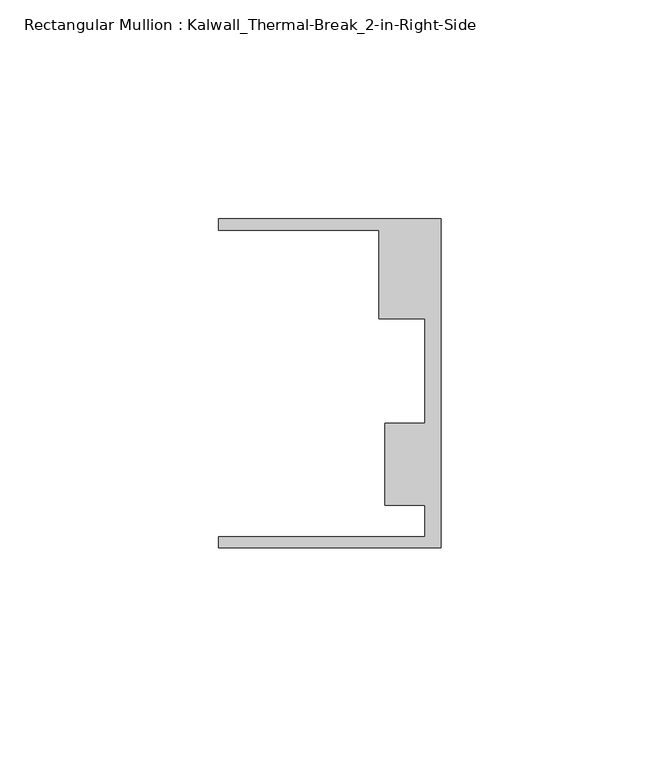
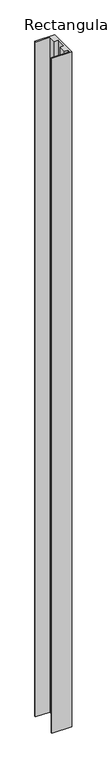
"""IFC4 building model written with IfcOpenShell, lengths in millimetres: member geometry, Rectangular Mullion : Kalwall_Thermal-Break_2-in-Right-Side."""

from ifc_helpers import new_model, si_unit, frame, origin, place, context, project, spatial, polyline, outline, extrude, source, transform, mapped, element, save


def rectangular_mullion_kalwall_thermal_break_2_in_right_side_28d2299b(model_context):
    return source(origin(), model_context, "Body", "SweptSolid", [
        extrude(outline(polyline([(0.0, -37.5776386), (-50.8, -37.5776386), (-50.8, -35.0376386), (-3.7084, -35.0376386), (-3.7084, -27.8888568), (-12.8272539, -27.8888568), (-12.8272539, -9.1879886), (-3.7084, -9.1879886), (-3.7084, 14.7439614), (-14.1732, 14.7439614), (-14.1732, 34.9623614), (-50.8, 34.9623614), (-50.8, 37.5023614), (0.0, 37.5023614), (0.0, -37.5776386)])), frame((0.0, 0.0, -1827.425), z_axis=(0.0, 0.0, 1.0), x_axis=(1.0, 0.0, 0.0)), (0.0, 0.0, 1.0), 1827.425),
    ])


if __name__ == "__main__":
    model = new_model("IFC4")
    model_context = context("Model", 3, world=origin())
    ifc_project = project(units=[si_unit("LENGTHUNIT", "METRE", prefix="MILLI")], contexts=[model_context])
    site = spatial("IfcSite", under=ifc_project)
    building = spatial("IfcBuilding", under=site)
    placement = place(None, origin())
    rectangular_mullion_kalwall_thermal_break_2_in_right_side_shape = rectangular_mullion_kalwall_thermal_break_2_in_right_side_28d2299b(model_context)
    element("IfcMember", 1, ObjectType="Rectangular Mullion : Kalwall_Thermal-Break_2-in-Right-Side", at=placement, inside=building, context=model_context, shape_type="MappedRepresentation", body=[
        mapped(rectangular_mullion_kalwall_thermal_break_2_in_right_side_shape, transform((0.0, 0.0, 0.0), x_axis=(1.0, 0.0, 0.0), y_axis=(0.0, 1.0, 0.0), z_axis=(0.0, 0.0, 1.0))),
    ])
    save(model, "model.ifc")
